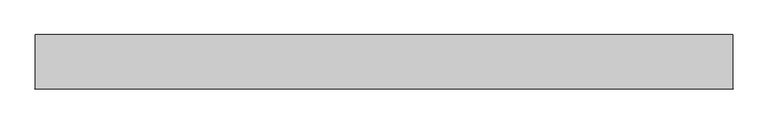
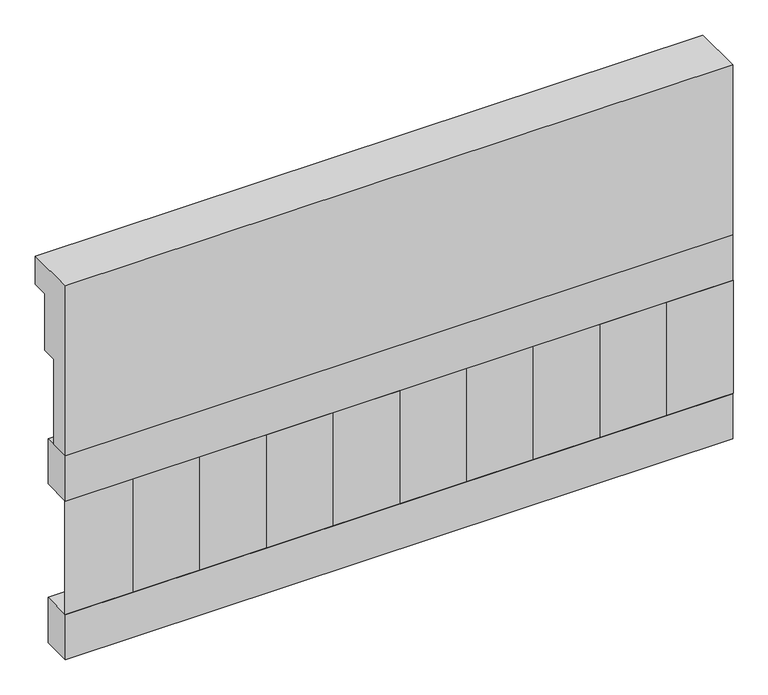
"""IFC4 building model written with IfcOpenShell, lengths in millimetres: railing geometry."""

import ifcopenshell
import ifcopenshell.guid

model = None  # the IFC model being written
_history = None  # IfcOwnerHistory: only IFC2X3 demands one
_inside = {}  # id of a spatial element -> (the spatial element, [elements in it])
_under = {}  # id of a project, library or spatial element -> (it, [spatial elements below it])
_declared = {}  # id of a project -> (the project, [libraries it declares])
_typed = {}  # id of a type object -> (the type object, [elements of that type])
_made_of = {}  # id of a material, layer set ... -> (it, [elements and type objects made of it])


def new_model(schema):
    """Start an empty IFC model of exactly this schema.

    Asked for "IFC4X3", IfcOpenShell would pick the latest addendum, in which some entities
    have other attributes; the version numbers below select the first issue.
    IFC2X3 requires an IfcOwnerHistory on every rooted entity: one is made here for all.
    """
    global model, _history
    if schema == "IFC4X3":
        model = ifcopenshell.file(schema_version=(4, 3, 0, 0))
    else:
        model = ifcopenshell.file(schema=schema)
    _inside.clear()
    _under.clear()
    _declared.clear()
    _typed.clear()
    _made_of.clear()
    _history = None
    if model.schema == "IFC2X3":
        org = make("IfcOrganization", Name="unknown")
        user = make(
            "IfcPersonAndOrganization",
            ThePerson=make("IfcPerson", FamilyName="unknown"),
            TheOrganization=org,
        )
        app = make(
            "IfcApplication",
            ApplicationDeveloper=org,
            Version="unknown",
            ApplicationFullName="unknown",
            ApplicationIdentifier="unknown",
        )
        _history = make(
            "IfcOwnerHistory",
            OwningUser=user,
            OwningApplication=app,
            ChangeAction="ADDED",
            CreationDate=0,
        )
    return model


def make(cls, **values):
    """One entity of the class cls with the attributes given. An attribute that is None is left unset."""
    return model.create_entity(
        cls, **{name: value for name, value in values.items() if value is not None}
    )


def rooted(cls, **values):
    """An entity with a GlobalId (a new one), such as an element, a storey or a relation."""
    return make(cls, GlobalId=ifcopenshell.guid.new(), OwnerHistory=_history, **values)


def si_unit(unit_type, name, prefix=None):
    """IfcSIUnit, for example si_unit("LENGTHUNIT", "METRE", prefix="MILLI")."""
    return make("IfcSIUnit", UnitType=unit_type, Prefix=prefix, Name=name)


def assignment(units):
    """IfcUnitAssignment: the units of a project."""
    return None if units is None else make("IfcUnitAssignment", Units=units)


def point(xyz):
    """IfcCartesianPoint."""
    return None if xyz is None else make("IfcCartesianPoint", Coordinates=xyz)


def direction(xyz):
    """IfcDirection."""
    return None if xyz is None else make("IfcDirection", DirectionRatios=xyz)


def frame(location, z_axis=None, x_axis=None):
    """IfcAxis2Placement3D, a coordinate frame: its origin and axes. An axis left out is left unset."""
    return make(
        "IfcAxis2Placement3D",
        Location=point(location),
        Axis=direction(z_axis),
        RefDirection=direction(x_axis),
    )


def origin():
    """The frame at (0, 0, 0) with its axes left unset."""
    return frame((0.0, 0.0, 0.0))


def place(relative_to, where):
    """IfcLocalPlacement: puts the frame where relative to a parent placement (None: the world)."""
    return make(
        "IfcLocalPlacement", PlacementRelTo=relative_to, RelativePlacement=where
    )


def context(
    kind, dimensions, precision=None, world=None, true_north=None, identifier=None
):
    """IfcGeometricRepresentationContext, for example the 3D "Model" context."""
    return make(
        "IfcGeometricRepresentationContext",
        ContextIdentifier=identifier,
        ContextType=kind,
        CoordinateSpaceDimension=dimensions,
        Precision=precision,
        WorldCoordinateSystem=world,
        TrueNorth=true_north,
    )


def project(units=None, contexts=None):
    """IfcProject with its units and contexts."""
    return rooted(
        "IfcProject",
        Name="project",
        RepresentationContexts=contexts,
        UnitsInContext=assignment(units),
    )


def spatial(cls, under=None, at=None, **own):
    """A site, building, storey or space (cls), placed at a placement, below another one or the project."""
    s = rooted(cls, ObjectPlacement=at, **own)
    if under is not None:
        _under.setdefault(under.id(), (under, []))[1].append(s)
    return s


def polyline(points):
    """IfcPolyline through the points."""
    return make("IfcPolyline", Points=[point(p) for p in points])


def outline(outer, holes=None, kind="AREA"):
    """IfcArbitraryClosedProfileDef: a profile drawn as a closed curve; with holes, ...WithVoids."""
    if holes is None:
        return make("IfcArbitraryClosedProfileDef", ProfileType=kind, OuterCurve=outer)
    return make(
        "IfcArbitraryProfileDefWithVoids",
        ProfileType=kind,
        OuterCurve=outer,
        InnerCurves=holes,
    )


def extrude(swept, where, along, depth):
    """IfcExtrudedAreaSolid: the profile swept, set in the frame where, extruded along a direction by depth."""
    return make(
        "IfcExtrudedAreaSolid",
        SweptArea=swept,
        Position=where,
        ExtrudedDirection=direction(along),
        Depth=depth,
    )


def shape(context_of_items, identifier, shape_type, items):
    """IfcShapeRepresentation: the items that make up one representation, for example the "Body"."""
    return make(
        "IfcShapeRepresentation",
        ContextOfItems=context_of_items,
        RepresentationIdentifier=identifier,
        RepresentationType=shape_type,
        Items=items,
    )


def source(mapping_origin, context_of_items, identifier, shape_type, items):
    """IfcRepresentationMap: a shape defined once, which mapped items show again and again."""
    return make(
        "IfcRepresentationMap",
        MappingOrigin=mapping_origin,
        MappedRepresentation=shape(context_of_items, identifier, shape_type, items),
    )


def transform(
    local_origin,
    x_axis=None,
    y_axis=None,
    z_axis=None,
    scale=None,
    scale2=None,
    scale3=None,
    uniform=True,
):
    """IfcCartesianTransformationOperator3D, or its non-uniform kind. x_axis, y_axis, z_axis: its Axis1, 2, 3."""
    if uniform:
        return make(
            "IfcCartesianTransformationOperator3D",
            Axis1=direction(x_axis),
            Axis2=direction(y_axis),
            LocalOrigin=point(local_origin),
            Scale=scale,
            Axis3=direction(z_axis),
        )
    return make(
        "IfcCartesianTransformationOperator3DnonUniform",
        Axis1=direction(x_axis),
        Axis2=direction(y_axis),
        LocalOrigin=point(local_origin),
        Scale=scale,
        Axis3=direction(z_axis),
        Scale2=scale2,
        Scale3=scale3,
    )


def mapped(mapping_source, mapping_target):
    """IfcMappedItem: shows the shape of a source again, moved by a transform."""
    return make(
        "IfcMappedItem", MappingSource=mapping_source, MappingTarget=mapping_target
    )


def made_of(thing, what):
    """Note that an element or type object is made of a material, layer set ...; save() writes the relation."""
    if what is not None:
        _made_of.setdefault(what.id(), (what, []))[1].append(thing)
    return thing


def element(
    cls,
    number,
    at=None,
    inside=None,
    cuts=None,
    type_object=None,
    material=None,
    context=None,
    identifier="Body",
    shape_type=None,
    held_by="IfcProductDefinitionShape",
    body=None,
    shapes=None,
    **own,
):
    """One element of the class cls, such as IfcWall. Its Tag is "e" and its number.

    at: its placement. inside: the storey or other place that contains it. cuts: it is an
    opening in that element (IfcRelVoidsElement). A single representation is given by context,
    identifier, shape_type and body (its items); several are given by shapes. held_by: the class
    of the entity that holds the representations. save() writes the other relations.
    """
    e = rooted(cls, Tag="e%d" % number, ObjectPlacement=at, **own)
    if body is not None:
        shapes = [shape(context, identifier, shape_type, body)]
    if shapes is not None:
        e.Representation = make(held_by, Representations=shapes)
    if inside is not None:
        _inside.setdefault(inside.id(), (inside, []))[1].append(e)
    if cuts is not None:
        rooted(
            "IfcRelVoidsElement", RelatingBuildingElement=cuts, RelatedOpeningElement=e
        )
    if type_object is not None:
        _typed.setdefault(type_object.id(), (type_object, []))[1].append(e)
    return made_of(e, material)


def aggregate(whole, parts):
    """IfcRelAggregates: a whole, such as a stair, and the parts it consists of."""
    return rooted("IfcRelAggregates", RelatingObject=whole, RelatedObjects=parts)


def save(model, path):
    """Write the relations noted so far, then the file.

    IfcRelAggregates (storeys below a building ...), IfcRelContainedInSpatialStructure (elements
    in a storey), IfcRelDefinesByType, IfcRelAssociatesMaterial and IfcRelDeclares: one each for
    every whole, place, type object, material and project.
    """
    for whole, parts in _under.values():
        aggregate(whole, parts)
    for where, things in _inside.values():
        rooted(
            "IfcRelContainedInSpatialStructure",
            RelatedElements=things,
            RelatingStructure=where,
        )
    for kind, things in _typed.values():
        rooted("IfcRelDefinesByType", RelatedObjects=things, RelatingType=kind)
    for what, things in _made_of.values():
        rooted("IfcRelAssociatesMaterial", RelatedObjects=things, RelatingMaterial=what)
    for by, libraries in _declared.values():
        rooted("IfcRelDeclares", RelatingContext=by, RelatedDefinitions=libraries)
    model.write(path)


def railing_5c2e0058(model_context):
    return source(origin(), model_context, "Body", "SweptSolid", [
        extrude(outline(polyline([(903.1079487, 18500.0), (1033.1079487, 18500.0), (1033.1079487, 18425.0), (993.1079487, 18425.0), (993.1079487, 18275.0), (953.1079487, 18275.0), (953.1079487, 18050.0), (903.1079487, 18050.0), (903.1079487, 18500.0)])), frame((-36509.9887159, 0.0, 0.0), z_axis=(1.0, 0.0, 0.0), x_axis=(0.0, 1.0, 0.0)), (0.0, 0.0, 1.0), 1670.0),
        extrude(outline(polyline([(-34839.9887159, 978.1079487), (-34839.9887159, 903.1079487), (-36509.9887159, 903.1079487), (-36509.9887159, 978.1079487), (-34839.9887159, 978.1079487)])), frame((0.0, 0.0, 17930.0), z_axis=(0.0, 0.0, 1.0), x_axis=(1.0, 0.0, 0.0)), (0.0, 0.0, 1.0), 120.0),
        extrude(outline(polyline([(-34839.9887159, 978.1079487), (-34839.9887159, 903.1079487), (-36509.9887159, 903.1079487), (-36509.9887159, 978.1079487), (-34839.9887159, 978.1079487)])), frame((0.0, 0.0, 17510.0), z_axis=(0.0, 0.0, 1.0), x_axis=(1.0, 0.0, 0.0)), (0.0, 0.0, 1.0), 120.0),
        extrude(outline(polyline([(-36426.4887159, 987.9607624), (-36341.6359022, 903.1079487), (-36511.3415296, 903.1079487), (-36426.4887159, 987.9607624)])), frame((0.0, 0.0, 17630.0), z_axis=(0.0, 0.0, 1.0), x_axis=(1.0, 0.0, 0.0)), (0.0, 0.0, 1.0), 300.0),
        extrude(outline(polyline([(-36259.4887159, 987.9607624), (-36174.6359022, 903.1079487), (-36344.3415296, 903.1079487), (-36259.4887159, 987.9607624)])), frame((0.0, 0.0, 17630.0), z_axis=(0.0, 0.0, 1.0), x_axis=(1.0, 0.0, 0.0)), (0.0, 0.0, 1.0), 300.0),
        extrude(outline(polyline([(-36092.4887159, 987.9607624), (-36007.6359022, 903.1079487), (-36177.3415296, 903.1079487), (-36092.4887159, 987.9607624)])), frame((0.0, 0.0, 17630.0), z_axis=(0.0, 0.0, 1.0), x_axis=(1.0, 0.0, 0.0)), (0.0, 0.0, 1.0), 300.0),
        extrude(outline(polyline([(-35925.4887159, 987.9607624), (-35840.6359022, 903.1079487), (-36010.3415296, 903.1079487), (-35925.4887159, 987.9607624)])), frame((0.0, 0.0, 17630.0), z_axis=(0.0, 0.0, 1.0), x_axis=(1.0, 0.0, 0.0)), (0.0, 0.0, 1.0), 300.0),
        extrude(outline(polyline([(-35758.4887159, 987.9607624), (-35673.6359022, 903.1079487), (-35843.3415296, 903.1079487), (-35758.4887159, 987.9607624)])), frame((0.0, 0.0, 17630.0), z_axis=(0.0, 0.0, 1.0), x_axis=(1.0, 0.0, 0.0)), (0.0, 0.0, 1.0), 300.0),
        extrude(outline(polyline([(-35591.4887159, 987.9607624), (-35506.6359022, 903.1079487), (-35676.3415296, 903.1079487), (-35591.4887159, 987.9607624)])), frame((0.0, 0.0, 17630.0), z_axis=(0.0, 0.0, 1.0), x_axis=(1.0, 0.0, 0.0)), (0.0, 0.0, 1.0), 300.0),
        extrude(outline(polyline([(-35424.4887159, 987.9607624), (-35339.6359022, 903.1079487), (-35509.3415296, 903.1079487), (-35424.4887159, 987.9607624)])), frame((0.0, 0.0, 17630.0), z_axis=(0.0, 0.0, 1.0), x_axis=(1.0, 0.0, 0.0)), (0.0, 0.0, 1.0), 300.0),
        extrude(outline(polyline([(-35257.4887159, 987.9607624), (-35172.6359022, 903.1079487), (-35342.3415296, 903.1079487), (-35257.4887159, 987.9607624)])), frame((0.0, 0.0, 17630.0), z_axis=(0.0, 0.0, 1.0), x_axis=(1.0, 0.0, 0.0)), (0.0, 0.0, 1.0), 300.0),
        extrude(outline(polyline([(-35090.4887159, 987.9607624), (-35005.6359022, 903.1079487), (-35175.3415296, 903.1079487), (-35090.4887159, 987.9607624)])), frame((0.0, 0.0, 17630.0), z_axis=(0.0, 0.0, 1.0), x_axis=(1.0, 0.0, 0.0)), (0.0, 0.0, 1.0), 300.0),
        extrude(outline(polyline([(-34923.4887159, 987.9607624), (-34838.6359022, 903.1079487), (-35008.3415296, 903.1079487), (-34923.4887159, 987.9607624)])), frame((0.0, 0.0, 17630.0), z_axis=(0.0, 0.0, 1.0), x_axis=(1.0, 0.0, 0.0)), (0.0, 0.0, 1.0), 300.0),
    ])


if __name__ == "__main__":
    model = new_model("IFC4")
    model_context = context("Model", 3, world=origin())
    ifc_project = project(units=[si_unit("LENGTHUNIT", "METRE", prefix="MILLI")], contexts=[model_context])
    site = spatial("IfcSite", under=ifc_project)
    building = spatial("IfcBuilding", under=site)
    placement = place(None, origin())
    railing_shape = railing_5c2e0058(model_context)
    element("IfcRailing", 1, at=placement, inside=building, context=model_context, shape_type="MappedRepresentation", body=[
        mapped(railing_shape, transform((0.0, 0.0, 0.0), x_axis=(1.0, 0.0, 0.0), y_axis=(0.0, 1.0, 0.0), z_axis=(0.0, 0.0, 1.0))),
    ])
    save(model, "model.ifc")
